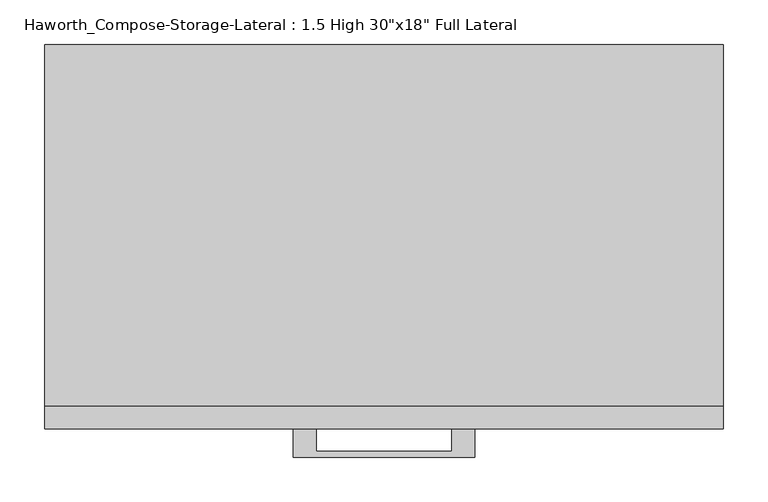
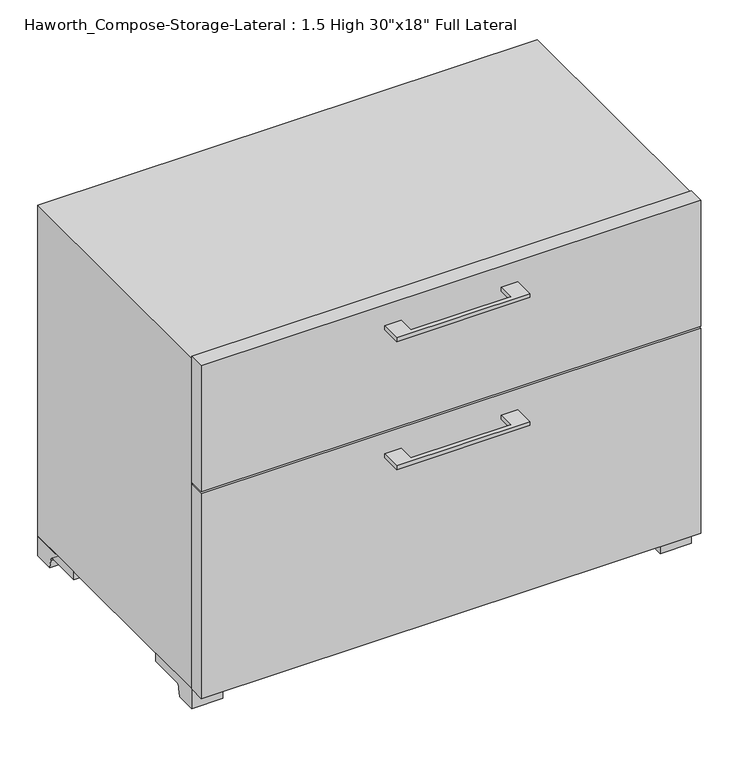
"""IFC4 building model written with IfcOpenShell, lengths in millimetres: furniture geometry."""

from ifc_helpers import new_model, si_unit, point, frame, frame_2d, origin, place, context, project, spatial, polyline, circle_curve, trimmed, segment, composite_curve, outline, extrude, source, transform, mapped, element, save


def furniture_fc941d30(model_context):
    return source(origin(), model_context, "Body", "SweptSolid", [
        extrude(outline(polyline([(-76.1860912, -177.8), (-76.1860912, -203.1999758), (76.2138906, -203.1999758), (76.2138906, -177.8), (101.6138846, -177.8), (101.6138846, -209.5499879), (-101.5861033, -209.5499879), (-101.5861033, -177.8), (-76.1860912, -177.8)])), frame((0.0, 0.0, 528.6375506), z_axis=(0.0, 0.0, 1.0), x_axis=(1.0, 0.0, 0.0)), (0.0, 0.0, 1.0), 6.3499758),
        extrude(outline(polyline([(381.0138906, -152.4), (381.0138906, -177.8), (-380.9861094, -177.8), (-380.9861094, -152.4), (381.0138906, -152.4)])), frame((0.0, 0.0, 365.125), z_axis=(0.0, 0.0, 1.0), x_axis=(1.0, 0.0, 0.0)), (0.0, 0.0, 1.0), 203.2),
        extrude(outline(polyline([(-76.1860912, -177.8), (-76.1860912, -203.1999758), (76.2138906, -203.1999758), (76.2138906, -177.8), (101.6138846, -177.8), (101.6138846, -209.5499879), (-101.5861033, -209.5499879), (-101.5861033, -177.8), (-76.1860912, -177.8)])), frame((0.0, 0.0, 322.2625506), z_axis=(0.0, 0.0, 1.0), x_axis=(1.0, 0.0, 0.0)), (0.0, 0.0, 1.0), 6.3499758),
        extrude(outline(polyline([(381.0138906, -152.4), (381.0138906, -177.8), (-380.9861094, -177.8), (-380.9861094, -152.4), (381.0138906, -152.4)])), frame((0.0, 0.0, 31.75), z_axis=(0.0, 0.0, 1.0), x_axis=(1.0, 0.0, 0.0)), (0.0, 0.0, 1.0), 330.2),
        extrude(outline(composite_curve([segment(polyline([(-120.65, 0.0), (-152.4, 0.0), (-152.4, 31.75), (-57.15, 31.75), (-57.15, 19.05), (-112.1833333, 19.05)]), True, "CONTINUOUS"), segment(trimmed(circle_curve(frame_2d((-112.1833333, 12.7)), 6.35), [point((-112.1833333, 19.05))], [point((-118.5333333, 12.7))], True, "CARTESIAN"), True, "CONTINUOUS"), segment(polyline([(-118.5333333, 12.7), (-120.65, 0.0)]), True, "CONTINUOUS")], self_intersect=False)), frame((333.3888906, 0.0, 0.0), z_axis=(1.0, 0.0, 0.0), x_axis=(0.0, 1.0, 0.0)), (0.0, 0.0, 1.0), 47.625),
        extrude(outline(composite_curve([segment(polyline([(222.25, 0.0), (220.1333333, 12.7)]), True, "CONTINUOUS"), segment(trimmed(circle_curve(frame_2d((213.7833333, 12.7)), 6.35), [point((220.1333333, 12.7))], [point((213.7833333, 19.05))], True, "CARTESIAN"), True, "CONTINUOUS"), segment(polyline([(213.7833333, 19.05), (158.75, 19.05), (158.75, 31.75), (254.0, 31.75), (254.0, 0.0), (222.25, 0.0)]), True, "CONTINUOUS")], self_intersect=False)), frame((333.3888906, 0.0, 0.0), z_axis=(1.0, 0.0, 0.0), x_axis=(0.0, 1.0, 0.0)), (0.0, 0.0, 1.0), 47.625),
        extrude(outline(composite_curve([segment(polyline([(-120.65, 0.0), (-152.4, 0.0), (-152.4, 31.75), (-57.15, 31.75), (-57.15, 19.05), (-112.1833333, 19.05)]), True, "CONTINUOUS"), segment(trimmed(circle_curve(frame_2d((-112.1833333, 12.7)), 6.35), [point((-112.1833333, 19.05))], [point((-118.5333333, 12.7))], True, "CARTESIAN"), True, "CONTINUOUS"), segment(polyline([(-118.5333333, 12.7), (-120.65, 0.0)]), True, "CONTINUOUS")], self_intersect=False)), frame((-380.9861094, 0.0, 0.0), z_axis=(1.0, 0.0, 0.0), x_axis=(0.0, 1.0, 0.0)), (0.0, 0.0, 1.0), 47.625),
        extrude(outline(composite_curve([segment(polyline([(222.25, 0.0), (220.1333333, 12.7)]), True, "CONTINUOUS"), segment(trimmed(circle_curve(frame_2d((213.7833333, 12.7)), 6.35), [point((220.1333333, 12.7))], [point((213.7833333, 19.05))], True, "CARTESIAN"), True, "CONTINUOUS"), segment(polyline([(213.7833333, 19.05), (158.75, 19.05), (158.75, 31.75), (254.0, 31.75), (254.0, 0.0), (222.25, 0.0)]), True, "CONTINUOUS")], self_intersect=False)), frame((-380.9861094, 0.0, 0.0), z_axis=(1.0, 0.0, 0.0), x_axis=(0.0, 1.0, 0.0)), (0.0, 0.0, 1.0), 47.625),
        extrude(outline(polyline([(31.75, -380.9861094), (31.75, 381.0), (565.15, 381.0), (565.15, -380.9861094), (31.75, -380.9861094)]), holes=[polyline([(50.8, -361.9361094), (546.1, -361.9361094), (546.1, 361.9361094), (50.8, 361.9361094), (50.8, -361.9361094)])]), frame((0.0, -152.4, 0.0), z_axis=(0.0, 1.0, 0.0), x_axis=(0.0, 0.0, 1.0)), (0.0, 0.0, 1.0), 406.4),
        extrude(outline(polyline([(-361.9291641, 219.075), (-361.9291641, 228.6), (361.9569453, 228.6), (361.9569453, 219.075), (-361.9291641, 219.075)])), frame((0.0, 0.0, 50.8), z_axis=(0.0, 0.0, 1.0), x_axis=(1.0, 0.0, 0.0)), (0.0, 0.0, 1.0), 495.3),
    ])


if __name__ == "__main__":
    model = new_model("IFC4")
    model_context = context("Model", 3, world=origin())
    ifc_project = project(units=[si_unit("LENGTHUNIT", "METRE", prefix="MILLI")], contexts=[model_context])
    site = spatial("IfcSite", under=ifc_project)
    building = spatial("IfcBuilding", under=site)
    placement = place(None, origin())
    furniture_shape = furniture_fc941d30(model_context)
    element("IfcFurniture", 1, ObjectType="Haworth_Compose-Storage-Lateral : 1.5 High 30\"x18\" Full Lateral", at=placement, inside=building, context=model_context, shape_type="MappedRepresentation", body=[
        mapped(furniture_shape, transform((0.0, 0.0, 0.0), x_axis=(1.0, 0.0, 0.0), y_axis=(0.0, 1.0, 0.0), z_axis=(0.0, 0.0, 1.0))),
    ])
    save(model, "model.ifc")
